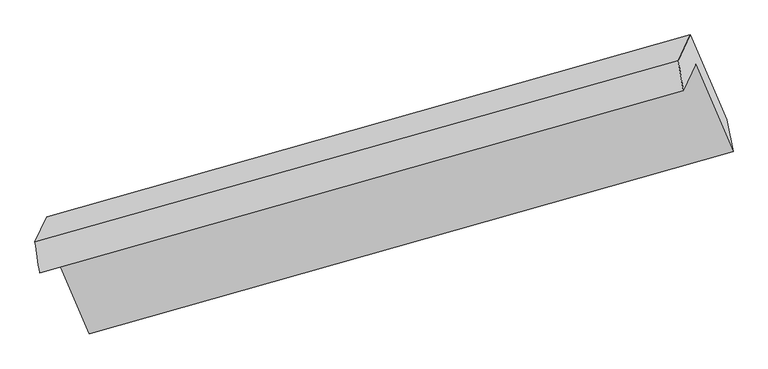
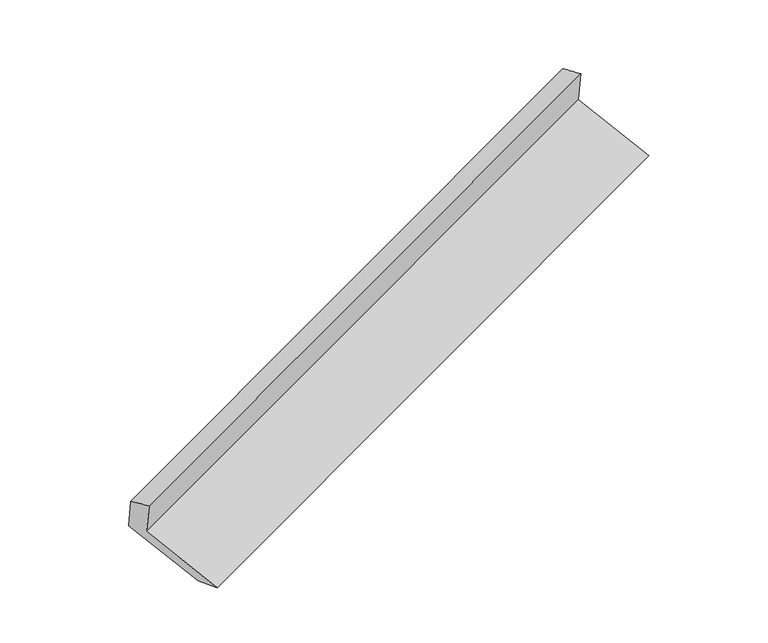
"""IFC4 building model written with IfcOpenShell, lengths in millimetres: proxy geometry."""

import ifcopenshell
import ifcopenshell.guid

model = None  # the IFC model being written
_history = None  # IfcOwnerHistory: only IFC2X3 demands one
_inside = {}  # id of a spatial element -> (the spatial element, [elements in it])
_under = {}  # id of a project, library or spatial element -> (it, [spatial elements below it])
_declared = {}  # id of a project -> (the project, [libraries it declares])
_typed = {}  # id of a type object -> (the type object, [elements of that type])
_made_of = {}  # id of a material, layer set ... -> (it, [elements and type objects made of it])


def new_model(schema):
    """Start an empty IFC model of exactly this schema.

    Asked for "IFC4X3", IfcOpenShell would pick the latest addendum, in which some entities
    have other attributes; the version numbers below select the first issue.
    IFC2X3 requires an IfcOwnerHistory on every rooted entity: one is made here for all.
    """
    global model, _history
    if schema == "IFC4X3":
        model = ifcopenshell.file(schema_version=(4, 3, 0, 0))
    else:
        model = ifcopenshell.file(schema=schema)
    _inside.clear()
    _under.clear()
    _declared.clear()
    _typed.clear()
    _made_of.clear()
    _history = None
    if model.schema == "IFC2X3":
        org = make("IfcOrganization", Name="unknown")
        user = make(
            "IfcPersonAndOrganization",
            ThePerson=make("IfcPerson", FamilyName="unknown"),
            TheOrganization=org,
        )
        app = make(
            "IfcApplication",
            ApplicationDeveloper=org,
            Version="unknown",
            ApplicationFullName="unknown",
            ApplicationIdentifier="unknown",
        )
        _history = make(
            "IfcOwnerHistory",
            OwningUser=user,
            OwningApplication=app,
            ChangeAction="ADDED",
            CreationDate=0,
        )
    return model


def make(cls, **values):
    """One entity of the class cls with the attributes given. An attribute that is None is left unset."""
    return model.create_entity(
        cls, **{name: value for name, value in values.items() if value is not None}
    )


def rooted(cls, **values):
    """An entity with a GlobalId (a new one), such as an element, a storey or a relation."""
    return make(cls, GlobalId=ifcopenshell.guid.new(), OwnerHistory=_history, **values)


def si_unit(unit_type, name, prefix=None):
    """IfcSIUnit, for example si_unit("LENGTHUNIT", "METRE", prefix="MILLI")."""
    return make("IfcSIUnit", UnitType=unit_type, Prefix=prefix, Name=name)


def assignment(units):
    """IfcUnitAssignment: the units of a project."""
    return None if units is None else make("IfcUnitAssignment", Units=units)


def point(xyz):
    """IfcCartesianPoint."""
    return None if xyz is None else make("IfcCartesianPoint", Coordinates=xyz)


def direction(xyz):
    """IfcDirection."""
    return None if xyz is None else make("IfcDirection", DirectionRatios=xyz)


def frame(location, z_axis=None, x_axis=None):
    """IfcAxis2Placement3D, a coordinate frame: its origin and axes. An axis left out is left unset."""
    return make(
        "IfcAxis2Placement3D",
        Location=point(location),
        Axis=direction(z_axis),
        RefDirection=direction(x_axis),
    )


def origin():
    """The frame at (0, 0, 0) with its axes left unset."""
    return frame((0.0, 0.0, 0.0))


def place(relative_to, where):
    """IfcLocalPlacement: puts the frame where relative to a parent placement (None: the world)."""
    return make(
        "IfcLocalPlacement", PlacementRelTo=relative_to, RelativePlacement=where
    )


def context(
    kind, dimensions, precision=None, world=None, true_north=None, identifier=None
):
    """IfcGeometricRepresentationContext, for example the 3D "Model" context."""
    return make(
        "IfcGeometricRepresentationContext",
        ContextIdentifier=identifier,
        ContextType=kind,
        CoordinateSpaceDimension=dimensions,
        Precision=precision,
        WorldCoordinateSystem=world,
        TrueNorth=true_north,
    )


def project(units=None, contexts=None):
    """IfcProject with its units and contexts."""
    return rooted(
        "IfcProject",
        Name="project",
        RepresentationContexts=contexts,
        UnitsInContext=assignment(units),
    )


def spatial(cls, under=None, at=None, **own):
    """A site, building, storey or space (cls), placed at a placement, below another one or the project."""
    s = rooted(cls, ObjectPlacement=at, **own)
    if under is not None:
        _under.setdefault(under.id(), (under, []))[1].append(s)
    return s


def shape(context_of_items, identifier, shape_type, items):
    """IfcShapeRepresentation: the items that make up one representation, for example the "Body"."""
    return make(
        "IfcShapeRepresentation",
        ContextOfItems=context_of_items,
        RepresentationIdentifier=identifier,
        RepresentationType=shape_type,
        Items=items,
    )


def source(mapping_origin, context_of_items, identifier, shape_type, items):
    """IfcRepresentationMap: a shape defined once, which mapped items show again and again."""
    return make(
        "IfcRepresentationMap",
        MappingOrigin=mapping_origin,
        MappedRepresentation=shape(context_of_items, identifier, shape_type, items),
    )


def transform(
    local_origin,
    x_axis=None,
    y_axis=None,
    z_axis=None,
    scale=None,
    scale2=None,
    scale3=None,
    uniform=True,
):
    """IfcCartesianTransformationOperator3D, or its non-uniform kind. x_axis, y_axis, z_axis: its Axis1, 2, 3."""
    if uniform:
        return make(
            "IfcCartesianTransformationOperator3D",
            Axis1=direction(x_axis),
            Axis2=direction(y_axis),
            LocalOrigin=point(local_origin),
            Scale=scale,
            Axis3=direction(z_axis),
        )
    return make(
        "IfcCartesianTransformationOperator3DnonUniform",
        Axis1=direction(x_axis),
        Axis2=direction(y_axis),
        LocalOrigin=point(local_origin),
        Scale=scale,
        Axis3=direction(z_axis),
        Scale2=scale2,
        Scale3=scale3,
    )


def mapped(mapping_source, mapping_target):
    """IfcMappedItem: shows the shape of a source again, moved by a transform."""
    return make(
        "IfcMappedItem", MappingSource=mapping_source, MappingTarget=mapping_target
    )


def made_of(thing, what):
    """Note that an element or type object is made of a material, layer set ...; save() writes the relation."""
    if what is not None:
        _made_of.setdefault(what.id(), (what, []))[1].append(thing)
    return thing


def element(
    cls,
    number,
    at=None,
    inside=None,
    cuts=None,
    type_object=None,
    material=None,
    context=None,
    identifier="Body",
    shape_type=None,
    held_by="IfcProductDefinitionShape",
    body=None,
    shapes=None,
    **own,
):
    """One element of the class cls, such as IfcWall. Its Tag is "e" and its number.

    at: its placement. inside: the storey or other place that contains it. cuts: it is an
    opening in that element (IfcRelVoidsElement). A single representation is given by context,
    identifier, shape_type and body (its items); several are given by shapes. held_by: the class
    of the entity that holds the representations. save() writes the other relations.
    """
    e = rooted(cls, Tag="e%d" % number, ObjectPlacement=at, **own)
    if body is not None:
        shapes = [shape(context, identifier, shape_type, body)]
    if shapes is not None:
        e.Representation = make(held_by, Representations=shapes)
    if inside is not None:
        _inside.setdefault(inside.id(), (inside, []))[1].append(e)
    if cuts is not None:
        rooted(
            "IfcRelVoidsElement", RelatingBuildingElement=cuts, RelatedOpeningElement=e
        )
    if type_object is not None:
        _typed.setdefault(type_object.id(), (type_object, []))[1].append(e)
    return made_of(e, material)


def aggregate(whole, parts):
    """IfcRelAggregates: a whole, such as a stair, and the parts it consists of."""
    return rooted("IfcRelAggregates", RelatingObject=whole, RelatedObjects=parts)


def save(model, path):
    """Write the relations noted so far, then the file.

    IfcRelAggregates (storeys below a building ...), IfcRelContainedInSpatialStructure (elements
    in a storey), IfcRelDefinesByType, IfcRelAssociatesMaterial and IfcRelDeclares: one each for
    every whole, place, type object, material and project.
    """
    for whole, parts in _under.values():
        aggregate(whole, parts)
    for where, things in _inside.values():
        rooted(
            "IfcRelContainedInSpatialStructure",
            RelatedElements=things,
            RelatingStructure=where,
        )
    for kind, things in _typed.values():
        rooted("IfcRelDefinesByType", RelatedObjects=things, RelatingType=kind)
    for what, things in _made_of.values():
        rooted("IfcRelAssociatesMaterial", RelatedObjects=things, RelatingMaterial=what)
    for by, libraries in _declared.values():
        rooted("IfcRelDeclares", RelatingContext=by, RelatedDefinitions=libraries)
    model.write(path)


def plane_surface(at):
    """IfcPlane: the flat surface through the origin of the frame at, square to its z axis."""
    return make("IfcPlane", Position=at)


def spline_surface(u_degree, v_degree, points, u_multiplicities, v_multiplicities, u_knots, v_knots, weights=None):
    """IfcBSplineSurfaceWithKnots; with weights, IfcRationalBSplineSurfaceWithKnots. points: one row for each step in u."""
    own = dict(
        UDegree=u_degree,
        VDegree=v_degree,
        ControlPointsList=[[point(p) for p in row] for row in points],
        SurfaceForm="UNSPECIFIED",
        UClosed=False,
        VClosed=False,
        SelfIntersect=False,
        UMultiplicities=u_multiplicities,
        VMultiplicities=v_multiplicities,
        UKnots=u_knots,
        VKnots=v_knots,
        KnotSpec="UNSPECIFIED",
    )
    if weights is None:
        return make("IfcBSplineSurfaceWithKnots", **own)
    return make("IfcRationalBSplineSurfaceWithKnots", WeightsData=weights, **own)


def advanced_brep(points, edges, surfaces, faces):
    """IfcAdvancedBrep: a solid bounded by faces that lie on surfaces and meet in shared edges.

    An edge is (start, end): straight between two places in points (the first is 0);
    or (start, end, curve); or (start, end, curve, False) where it runs against its curve.
    A face is (place in surfaces, loops), or (place, loops, False) where it looks against
    its surface's normal. A loop lists edges by number (the first is 1), with a minus sign
    where the edge is run from its end to its start. The first loop is the outer one.
    """
    corners = [point(p) for p in points]
    vertices = [make("IfcVertexPoint", VertexGeometry=c) for c in corners]
    made = []
    for start, end, *more in edges:
        made.append(
            make(
                "IfcEdgeCurve",
                EdgeStart=vertices[start],
                EdgeEnd=vertices[end],
                EdgeGeometry=more[0] if more else make("IfcPolyline", Points=[corners[start], corners[end]]),
                SameSense=more[1] if len(more) > 1 else True,
            )
        )
    hull = []
    for where, loops, *sense in faces:
        bounds = []
        for j, loop in enumerate(loops):
            ring = [make("IfcOrientedEdge", EdgeElement=made[abs(k) - 1], Orientation=k > 0) for k in loop]
            bounds.append(
                make(
                    "IfcFaceOuterBound" if j == 0 else "IfcFaceBound",
                    Bound=make("IfcEdgeLoop", EdgeList=ring),
                    Orientation=True,
                )
            )
        hull.append(make("IfcAdvancedFace", Bounds=bounds, FaceSurface=surfaces[where], SameSense=sense[0] if sense else True))
    return make("IfcAdvancedBrep", Outer=make("IfcClosedShell", CfsFaces=hull))


def generic_models_6172852a(model_context):
    return source(origin(), model_context, "Body", "AdvancedBrep", [
        advanced_brep(
        [(-5123.8703449, -2137.6607674, 1492.6957811), (-5042.4494915, -1961.0335146, 1131.6306361), (-755.0976654, -746.9945722, 2692.3246416), (-836.5185187, -923.621825, 3053.3897866), (-5155.7519655, -1932.8363927, 1419.8954791), (-870.3854554, -723.1042208, 2989.3934752), (-5078.3017443, -1764.8226807, 1076.4383152), (-790.9499181, -550.7837383, 2637.1323207), (-4832.2552354, -2338.6990468, 851.1911807), (-548.6101345, -1116.0145761, 2415.2785661), (-4792.6962573, -2543.555409, 902.9901218), (-505.3444311, -1329.5164667, 2463.6841273)],
        [
            (0, 1),
            (1, 2),
            (2, 3),
            (3, 0),
            (4, 0),
            (3, 5),
            (5, 4),
            (6, 4),
            (5, 7),
            (7, 6),
            (8, 6),
            (7, 9),
            (9, 8),
            (10, 8),
            (9, 11),
            (11, 10),
            (1, 10),
            (11, 2),
        ],
        [
            plane_surface(frame((-5083.1599182, -2049.347141, 1312.1632086), z_axis=(0.36875000944404274, -0.8650994068548322, -0.3400388901205803), x_axis=(0.19853160357398325, 0.4306770352721364, -0.8803990536521185))),
            spline_surface(1, 1, [[(-5155.7519655, -1932.8363927, 1419.8954791), (-870.3854554, -723.1042208, 2989.3934752)], [(-5123.8703449, -2137.6607674, 1492.6957811), (-836.5185187, -923.621825, 3053.3897866)]], [2, 2], [2, 2], [0.0, 1.0], [0.0, 1.0]),
            plane_surface(frame((-5117.0268549, -1848.8295367, 1248.1668972), z_axis=(-0.3687500094440429, 0.8650994068548321, 0.3400388901205804), x_axis=(-0.19853160357398342, -0.43067703527213663, 0.8803990536521183))),
            plane_surface(frame((-4955.2784898, -2051.7608637, 963.814748), z_axis=(0.19853160357398128, 0.4306770352721374, -0.8803990536521185), x_axis=(-0.37067253422839946, 0.8645528355265454, 0.3393379833612886))),
            spline_surface(1, 1, [[(-4792.6962573, -2543.555409, 902.9901218), (-505.3444311, -1329.5164667, 2463.6841273)], [(-4832.2552354, -2338.6990468, 851.1911807), (-548.6101345, -1116.0145761, 2415.2785661)]], [2, 2], [2, 2], [0.0, 1.0], [0.0, 1.0]),
            plane_surface(frame((-4917.5728744, -2252.2944618, 1017.3103789), z_axis=(-0.19853160357398605, -0.43067703527212664, 0.8803990536521227), x_axis=(0.37067253422839236, -0.8645528355265522, -0.3393379833612793))),
            plane_surface(frame((-717.8176872, -898.3392332, 2708.5338196), z_axis=(0.9072965748590915, 0.25897043435923695, 0.33128120890981605), x_axis=(-0.37067253422839946, 0.8645528355265454, 0.3393379833612886))),
            plane_surface(frame((-5004.2208398, -2113.1013019, 1145.806919), z_axis=(-0.9072965748590945, -0.25897043435923084, -0.33128120890981283), x_axis=(-0.19853160357398264, -0.4306770352721365, 0.8803990536521187))),
        ],
        [
            (0, [[1, 2, 3, 4]]),
            (1, [[5, -4, 6, 7]]),
            (2, [[8, -7, 9, 10]]),
            (3, [[11, -10, 12, 13]]),
            (4, [[14, -13, 15, 16]]),
            (5, [[17, -16, 18, -2]]),
            (6, [[-12, -9, -6, -3, -18, -15]]),
            (7, [[-1, -5, -8, -11, -14, -17]]),
        ],
    ),
    ])


if __name__ == "__main__":
    model = new_model("IFC4")
    model_context = context("Model", 3, world=origin())
    ifc_project = project(units=[si_unit("LENGTHUNIT", "METRE", prefix="MILLI")], contexts=[model_context])
    site = spatial("IfcSite", under=ifc_project)
    building = spatial("IfcBuilding", under=site)
    placement = place(None, origin())
    generic_models_shape = generic_models_6172852a(model_context)
    element("IfcBuildingElementProxy", 1, Name="Generic Models", at=placement, inside=building, context=model_context, shape_type="MappedRepresentation", body=[
        mapped(generic_models_shape, transform((0.0, 0.0, 0.0), x_axis=(1.0, 0.0, 0.0), y_axis=(0.0, 1.0, 0.0), z_axis=(0.0, 0.0, 1.0))),
    ])
    save(model, "model.ifc")
